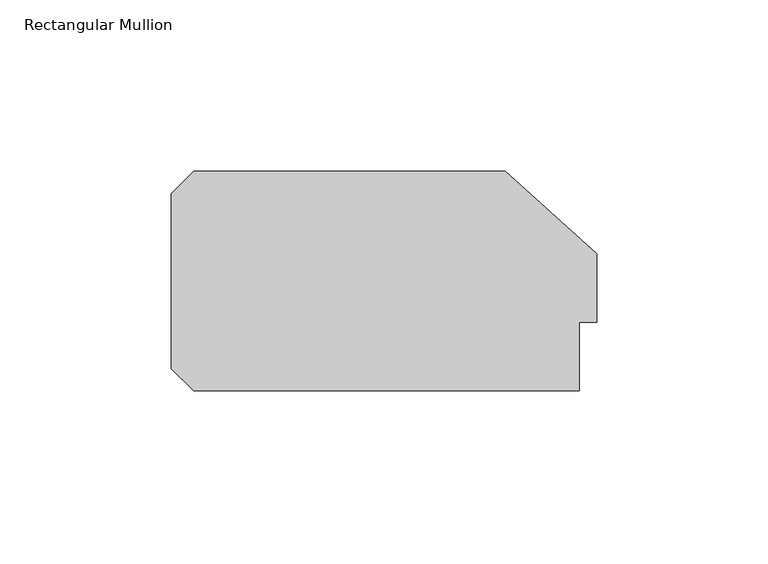
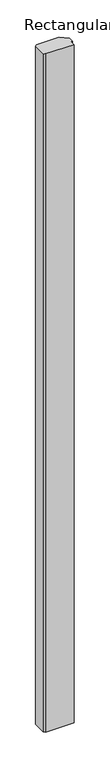
"""IFC4 building model written with IfcOpenShell, lengths in millimetres: member geometry, Rectangular Mullion."""

from ifc_helpers import new_model, si_unit, frame, origin, place, context, project, spatial, polyline, outline, extrude, source, transform, mapped, element, save


def rectangular_mullion_de789125(model_context):
    return source(origin(), model_context, "Body", "SweptSolid", [
        extrude(outline(polyline([(-5.0, 20.0), (-5.0, 0.0), (-117.5, 0.0), (-124.0, 6.5), (-124.0, 57.5), (-117.5, 64.0), (-26.6547004, 64.0), (0.0, 40.0), (0.0, 20.0), (-5.0, 20.0)])), frame((0.0, 0.0, -2850.0), z_axis=(0.0, 0.0, 1.0), x_axis=(1.0, 0.0, 0.0)), (0.0, 0.0, 1.0), 2850.0),
    ])


if __name__ == "__main__":
    model = new_model("IFC4")
    model_context = context("Model", 3, world=origin())
    ifc_project = project(units=[si_unit("LENGTHUNIT", "METRE", prefix="MILLI")], contexts=[model_context])
    site = spatial("IfcSite", under=ifc_project)
    building = spatial("IfcBuilding", under=site)
    placement = place(None, origin())
    rectangular_mullion_shape = rectangular_mullion_de789125(model_context)
    element("IfcMember", 1, ObjectType="Rectangular Mullion", at=placement, inside=building, context=model_context, shape_type="MappedRepresentation", body=[
        mapped(rectangular_mullion_shape, transform((0.0, 0.0, 0.0), x_axis=(1.0, 0.0, 0.0), y_axis=(0.0, 1.0, 0.0), z_axis=(0.0, 0.0, 1.0))),
    ])
    save(model, "model.ifc")
